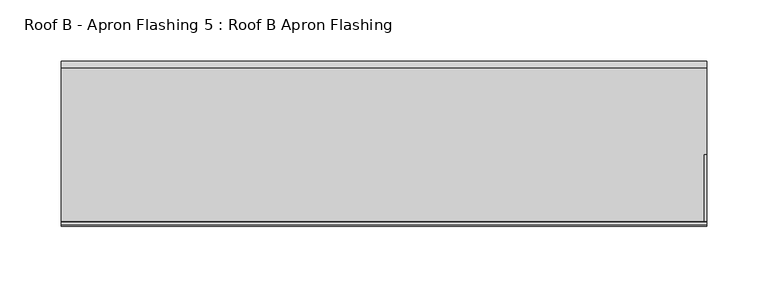
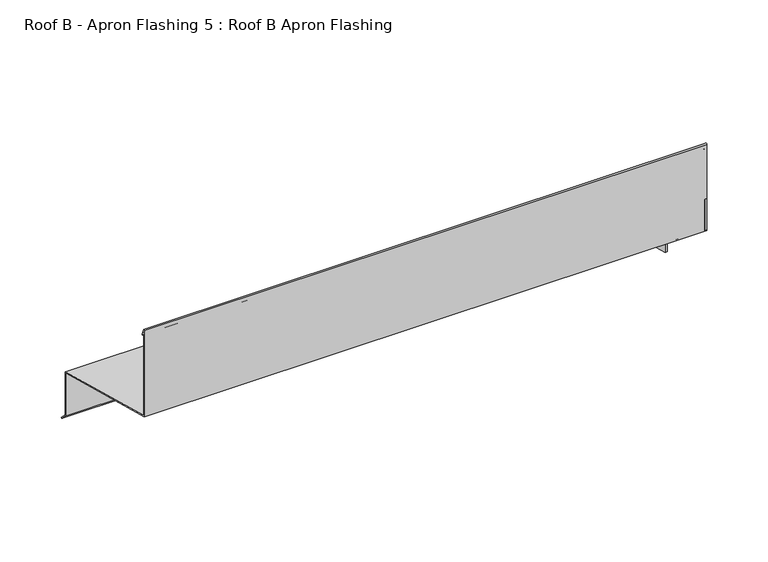
"""IFC4 building model written with IfcOpenShell, lengths in millimetres: proxy geometry, Roof B - Apron Flashing 5 : Roof B Apron Flashing."""

from ifc_helpers import new_model, si_unit, point, frame, frame_2d, origin, place, context, project, spatial, polyline, circle_curve, trimmed, segment, composite_curve, outline, extrude, source, transform, mapped, element, save


def roof_b_apron_flashing_5_roof_b_apron_flashing_ddde90b5(model_context):
    return source(origin(), model_context, "Body", "SweptSolid", [
        extrude(outline(polyline([(673.2344915, -388.7215885), (609.0490312, -371.5231462), (609.0490312, -328.9019383), (673.2344915, -346.1003806), (673.2344915, -388.7215885)])), frame((13694.3541786, 0.0, 0.0), z_axis=(1.0, 0.0, 0.0), x_axis=(0.0, 1.0, 0.0)), (0.0, 0.0, 1.0), 2.0),
        extrude(outline(polyline([(603.5131955, -326.3833395), (544.8615096, -310.6676676), (544.8615096, -279.7934577), (603.5131955, -295.5091296), (603.5131955, -326.3833395)])), frame((13694.3541786, 0.0, 0.0), z_axis=(1.0, 0.0, 0.0), x_axis=(0.0, 1.0, 0.0)), (0.0, 0.0, 1.0), 2.0),
        extrude(outline(composite_curve([segment(polyline([(674.2344915, -345.3330536), (674.2344915, -388.338713), (680.2651268, -394.3693483), (679.55802, -395.0764551), (673.2344915, -388.7529266), (673.2344915, -346.1003806), (544.8615096, -311.7029438), (544.8615096, -225.8538686)]), True, "CONTINUOUS"), segment(trimmed(circle_curve(frame_2d((545.5405538, -225.8538686)), 0.6790442), [point((544.8615096, -225.8538686))], [point((546.1701526, -225.5994942))], False, "CARTESIAN"), True, "CONTINUOUS"), segment(polyline([(546.1701526, -225.5994942), (548.5846074, -231.5754797)]), True, "CONTINUOUS"), segment(trimmed(circle_curve(frame_2d((548.1210155, -231.762783)), 0.5), [point((548.5846074, -231.5754797))], [point((547.6574236, -231.9500863))], False, "CARTESIAN"), True, "CONTINUOUS"), segment(polyline([(547.6574236, -231.9500863), (545.8615096, -227.5050431), (545.8615096, -310.9356168), (674.2344915, -345.3330536)]), True, "CONTINUOUS")], self_intersect=False)), frame((13167.4791786, 0.0, 0.0), z_axis=(1.0, 0.0, 0.0), x_axis=(0.0, 1.0, 0.0)), (0.0, 0.0, 1.0), 528.875),
    ])


if __name__ == "__main__":
    model = new_model("IFC4")
    model_context = context("Model", 3, world=origin())
    ifc_project = project(units=[si_unit("LENGTHUNIT", "METRE", prefix="MILLI")], contexts=[model_context])
    site = spatial("IfcSite", under=ifc_project)
    building = spatial("IfcBuilding", under=site)
    placement = place(None, origin())
    roof_b_apron_flashing_5_roof_b_apron_flashing_shape = roof_b_apron_flashing_5_roof_b_apron_flashing_ddde90b5(model_context)
    element("IfcBuildingElementProxy", 1, Name="Roof B - Apron Flashing 5 : Roof B Apron Flashing", ObjectType="Roof B - Apron Flashing 5 : Roof B Apron Flashing", at=placement, inside=building, context=model_context, shape_type="MappedRepresentation", body=[
        mapped(roof_b_apron_flashing_5_roof_b_apron_flashing_shape, transform((0.0, 0.0, 0.0), x_axis=(1.0, 0.0, 0.0), y_axis=(0.0, 1.0, 0.0), z_axis=(0.0, 0.0, 1.0))),
    ])
    save(model, "model.ifc")
